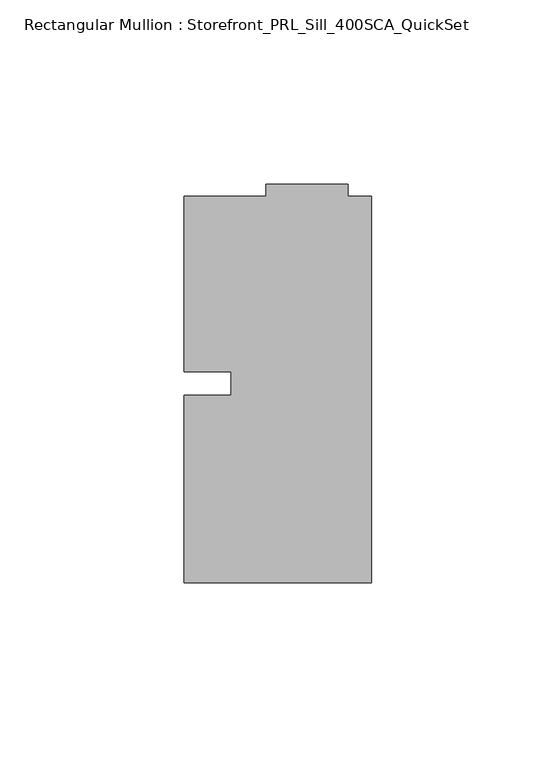
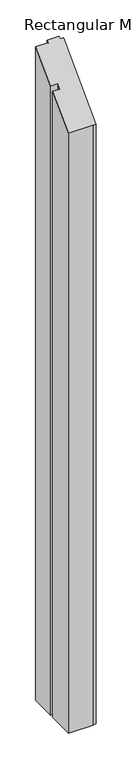
"""IFC4 building model written with IfcOpenShell, lengths in millimetres: member geometry, Rectangular Mullion : Storefront_PRL_Sill_400SCA_QuickSet."""

from ifc_helpers import new_model, si_unit, origin, place, context, project, spatial, faceted_brep, source, transform, mapped, element, save


def rectangular_mullion_storefront_prl_sill_400sca_quickset_02efdb5a(model_context):
    return source(origin(), model_context, "Body", "Brep", [
        faceted_brep([(-38.1, -3.175, -1219.2), (-38.1, 3.175, -1219.2), (-50.8, 3.175, -1219.2), (-50.8, 50.8, -1219.2), (-28.575, 50.8, -1219.2), (-28.575, 53.975, -1219.2), (-6.35, 53.975, -1219.2), (-6.35, 50.8, -1219.2), (0.0, 50.8, -1219.2), (0.0, -53.975, -1219.2), (-6.35, -53.975, -1219.2), (-50.8, -53.975, -1219.2), (-50.8, -3.175, -1219.2), (-50.8, -3.175, -3.175), (-38.1, -3.175, -3.175), (-50.8, -53.975, -53.975), (-6.35, -53.975, -53.975), (0.0, -53.975, -53.975), (0.0, 50.8, 50.8), (-6.35, 50.8, 50.8), (-6.35, 53.975, 53.975), (-28.575, 53.975, 53.975), (-28.575, 50.8, 50.8), (-50.8, 50.8, 50.8), (-50.8, 3.175, 3.175), (-38.1, 3.175, 3.175)], [[[0, 1, 2, 3, 4, 5, 6, 7, 8, 9, 10, 11, 12]], [[13, 14, 0, 12]], [[15, 13, 12, 11]], [[16, 15, 11, 10]], [[17, 16, 10, 9]], [[18, 17, 9, 8]], [[19, 18, 8, 7]], [[20, 19, 7, 6]], [[21, 20, 6, 5]], [[22, 21, 5, 4]], [[23, 22, 4, 3]], [[24, 23, 3, 2]], [[25, 24, 2, 1]], [[14, 25, 1, 0]], [[14, 13, 15, 16, 17, 18, 19, 20, 21, 22, 23, 24, 25]]]),
    ])


if __name__ == "__main__":
    model = new_model("IFC4")
    model_context = context("Model", 3, world=origin())
    ifc_project = project(units=[si_unit("LENGTHUNIT", "METRE", prefix="MILLI")], contexts=[model_context])
    site = spatial("IfcSite", under=ifc_project)
    building = spatial("IfcBuilding", under=site)
    placement = place(None, origin())
    rectangular_mullion_storefront_prl_sill_400sca_quickset_shape = rectangular_mullion_storefront_prl_sill_400sca_quickset_02efdb5a(model_context)
    element("IfcMember", 1, ObjectType="Rectangular Mullion : Storefront_PRL_Sill_400SCA_QuickSet", at=placement, inside=building, context=model_context, shape_type="MappedRepresentation", body=[
        mapped(rectangular_mullion_storefront_prl_sill_400sca_quickset_shape, transform((0.0, 0.0, 0.0), x_axis=(1.0, 0.0, 0.0), y_axis=(0.0, 1.0, 0.0), z_axis=(0.0, 0.0, 1.0))),
    ])
    save(model, "model.ifc")
